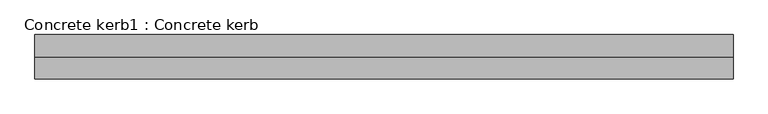
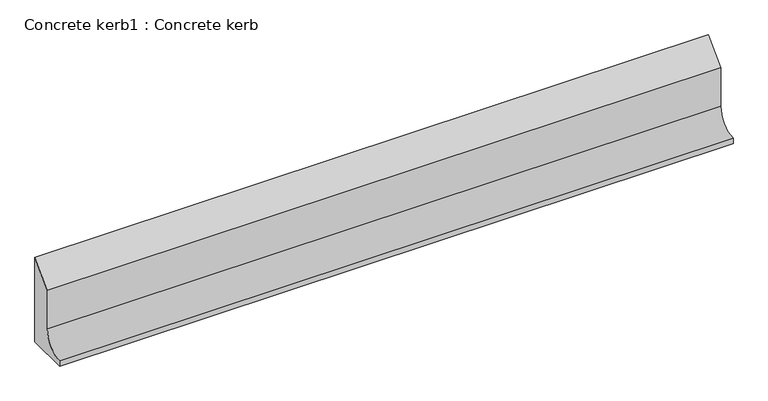
"""IFC4 building model written with IfcOpenShell, lengths in millimetres: proxy geometry, Concrete kerb1 : Concrete kerb."""

from ifc_helpers import new_model, si_unit, point, frame, frame_2d, origin, place, context, project, spatial, polyline, circle_curve, trimmed, segment, composite_curve, outline, extrude, source, transform, mapped, element, save


def concrete_kerb1_concrete_kerb_c55084ba(model_context):
    return source(origin(), model_context, "Body", "SweptSolid", [
        extrude(outline(composite_curve([segment(polyline([(882.6461443, 297.0), (882.6461443, -20.0482875), (730.6461443, -20.0482875), (730.6461443, 0.0)]), True, "CONTINUOUS"), segment(trimmed(circle_curve(frame_2d((730.6461443, 75.0)), 75.0), [point((730.6461443, 0.0))], [point((805.6461443, 75.0))], True, "CARTESIAN"), True, "CONTINUOUS"), segment(polyline([(805.6461443, 75.0), (805.6461443, 220.0), (882.6461443, 297.0)]), True, "CONTINUOUS")], self_intersect=False)), frame((6904.6309284, 0.0, 0.0), z_axis=(1.0, 0.0, 0.0), x_axis=(0.0, 1.0, 0.0)), (0.0, 0.0, 1.0), 2400.0),
    ])


if __name__ == "__main__":
    model = new_model("IFC4")
    model_context = context("Model", 3, world=origin())
    ifc_project = project(units=[si_unit("LENGTHUNIT", "METRE", prefix="MILLI")], contexts=[model_context])
    site = spatial("IfcSite", under=ifc_project)
    building = spatial("IfcBuilding", under=site)
    placement = place(None, origin())
    concrete_kerb1_concrete_kerb_shape = concrete_kerb1_concrete_kerb_c55084ba(model_context)
    element("IfcBuildingElementProxy", 1, Name="Concrete kerb1 : Concrete kerb", ObjectType="Concrete kerb1 : Concrete kerb", at=placement, inside=building, context=model_context, shape_type="MappedRepresentation", body=[
        mapped(concrete_kerb1_concrete_kerb_shape, transform((0.0, 0.0, 0.0), x_axis=(1.0, 0.0, 0.0), y_axis=(0.0, 1.0, 0.0), z_axis=(0.0, 0.0, 1.0))),
    ])
    save(model, "model.ifc")
